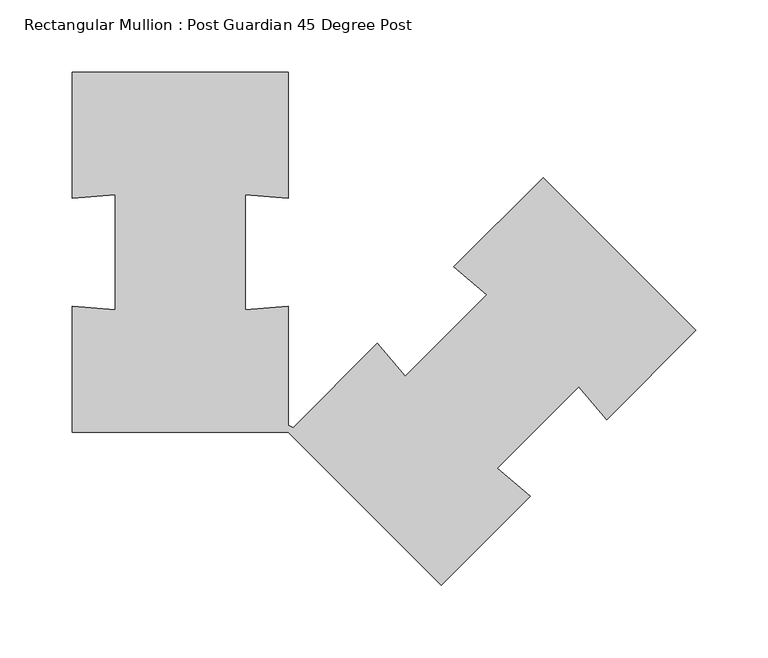
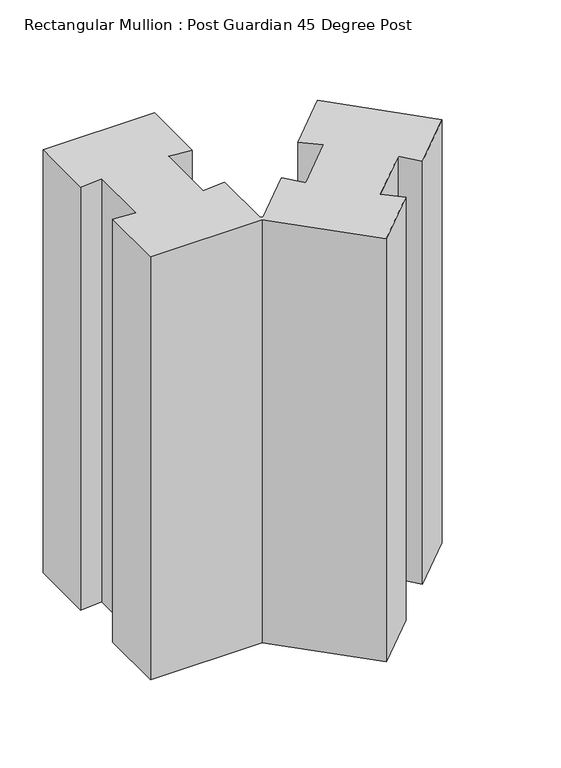
"""IFC4 building model written with IfcOpenShell, lengths in millimetres: member geometry, Rectangular Mullion : Post Guardian 45 Degree Post."""

from ifc_helpers import new_model, si_unit, frame, origin, place, context, project, spatial, polyline, outline, extrude, source, transform, mapped, element, save


def rectangular_mullion_post_guardian_45_degree_post_36d3873e(model_context):
    return source(origin(), model_context, "Body", "SweptSolid", [
        extrude(outline(polyline([(-432.3059875, -124.845), (-432.3059875, -37.4535), (-402.3431875, -39.9504), (-402.3431875, 39.9504), (-432.3059875, 37.4535), (-432.3059875, 124.845), (-282.4919875, 124.845), (-282.4919875, 37.4535), (-312.4547875, 39.9504), (-312.4547875, -39.9504), (-282.4919875, -37.4535), (-282.4919875, -119.845), (-279.1311685, -121.484181), (-220.6968652, -63.0498777), (-201.2755411, -86.0023517), (-144.7771436, -29.5039542), (-167.7296176, -10.0826301), (-105.9344953, 51.7124922), (0.0, -54.2220031), (-61.7951223, -116.0171254), (-81.2164464, -93.0646514), (-137.7148439, -149.5630489), (-114.7623699, -168.984373), (-176.5574922, -230.7794953), (-282.4919875, -124.845), (-432.3059875, -124.845)])), frame((0.0, 0.0, -600.0), z_axis=(0.0, 0.0, 1.0), x_axis=(1.0, 0.0, 0.0)), (0.0, 0.0, 1.0), 600.0),
    ])


if __name__ == "__main__":
    model = new_model("IFC4")
    model_context = context("Model", 3, world=origin())
    ifc_project = project(units=[si_unit("LENGTHUNIT", "METRE", prefix="MILLI")], contexts=[model_context])
    site = spatial("IfcSite", under=ifc_project)
    building = spatial("IfcBuilding", under=site)
    placement = place(None, origin())
    rectangular_mullion_post_guardian_45_degree_post_shape = rectangular_mullion_post_guardian_45_degree_post_36d3873e(model_context)
    element("IfcMember", 1, ObjectType="Rectangular Mullion : Post Guardian 45 Degree Post", at=placement, inside=building, context=model_context, shape_type="MappedRepresentation", body=[
        mapped(rectangular_mullion_post_guardian_45_degree_post_shape, transform((0.0, 0.0, 0.0), x_axis=(1.0, 0.0, 0.0), y_axis=(0.0, 1.0, 0.0), z_axis=(0.0, 0.0, 1.0))),
    ])
    save(model, "model.ifc")
